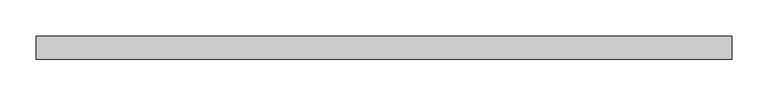
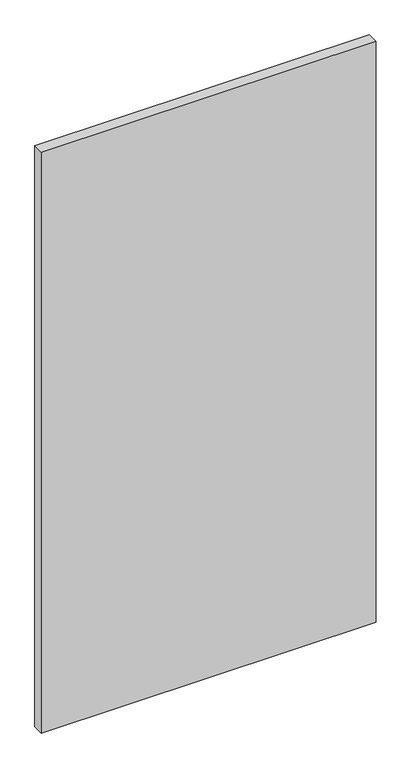
"""IFC4 building model written with IfcOpenShell, lengths in millimetres: plate geometry."""

from ifc_helpers import new_model, si_unit, origin, origin_with_axes, place, context, project, spatial, polyline, outline, extrude, source, transform, mapped, element, save


def plate_eb53c861(model_context):
    return source(origin(), model_context, "Body", "SweptSolid", [
        extrude(outline(polyline([(480.3812225, -15.875), (-480.3812225, -15.875), (-480.3812225, 15.875), (480.3812225, 15.875), (480.3812225, -15.875)])), origin_with_axes(), (0.0, 0.0, 1.0), 1761.2320313),
    ])


if __name__ == "__main__":
    model = new_model("IFC4")
    model_context = context("Model", 3, world=origin())
    ifc_project = project(units=[si_unit("LENGTHUNIT", "METRE", prefix="MILLI")], contexts=[model_context])
    site = spatial("IfcSite", under=ifc_project)
    building = spatial("IfcBuilding", under=site)
    placement = place(None, origin())
    plate_shape = plate_eb53c861(model_context)
    element("IfcPlate", 1, at=placement, inside=building, context=model_context, shape_type="MappedRepresentation", body=[
        mapped(plate_shape, transform((0.0, 0.0, 0.0), x_axis=(1.0, 0.0, 0.0), y_axis=(0.0, 1.0, 0.0), z_axis=(0.0, 0.0, 1.0))),
    ])
    save(model, "model.ifc")
